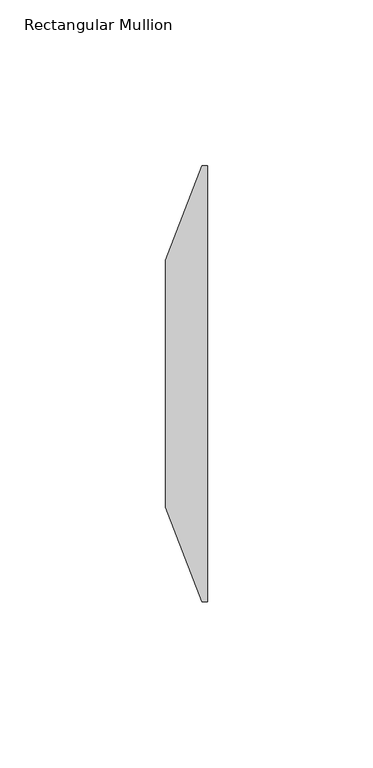
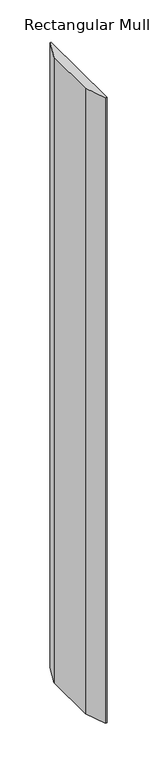
"""IFC4 building model written with IfcOpenShell, lengths in millimetres: member geometry, Rectangular Mullion."""

from ifc_helpers import new_model, si_unit, frame, origin, place, context, project, spatial, polyline, outline, extrude, source, transform, mapped, element, save


def rectangular_mullion_0d7223d0(model_context):
    return source(origin(), model_context, "Body", "SweptSolid", [
        extrude(outline(polyline([(0.0, 58.7375), (0.0, -73.025), (-1.5875, -73.025), (-12.7, -44.45), (-12.7, 30.1625), (-1.5875, 58.7375), (0.0, 58.7375)])), frame((0.0, 0.0, -904.875), z_axis=(0.0, 0.0, 1.0), x_axis=(1.0, 0.0, 0.0)), (0.0, 0.0, 1.0), 904.875),
    ])


if __name__ == "__main__":
    model = new_model("IFC4")
    model_context = context("Model", 3, world=origin())
    ifc_project = project(units=[si_unit("LENGTHUNIT", "METRE", prefix="MILLI")], contexts=[model_context])
    site = spatial("IfcSite", under=ifc_project)
    building = spatial("IfcBuilding", under=site)
    placement = place(None, origin())
    rectangular_mullion_shape = rectangular_mullion_0d7223d0(model_context)
    element("IfcMember", 1, ObjectType="Rectangular Mullion", at=placement, inside=building, context=model_context, shape_type="MappedRepresentation", body=[
        mapped(rectangular_mullion_shape, transform((0.0, 0.0, 0.0), x_axis=(1.0, 0.0, 0.0), y_axis=(0.0, 1.0, 0.0), z_axis=(0.0, 0.0, 1.0))),
    ])
    save(model, "model.ifc")
